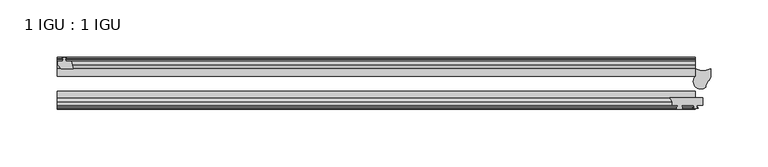
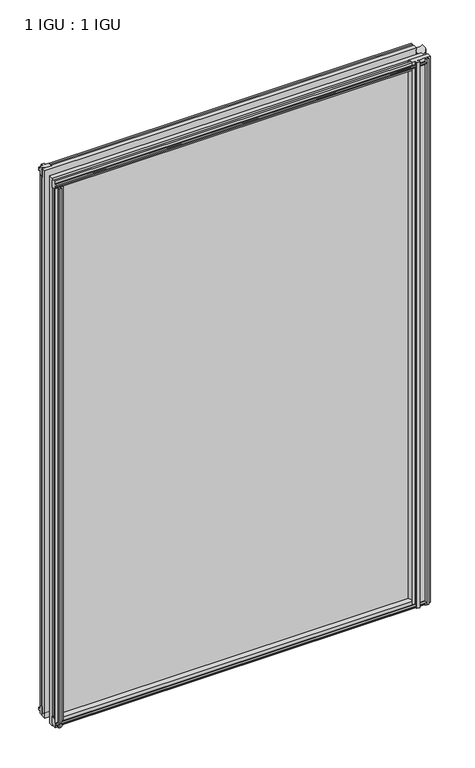
"""IFC4 building model written with IfcOpenShell, lengths in millimetres: plate geometry, 1 IGU : 1 IGU."""

from ifc_helpers import new_model, si_unit, point, frame, frame_2d, origin, place, context, project, spatial, polyline, circle_curve, trimmed, segment, composite_curve, outline, extrude, source, transform, mapped, element, save


def plate_1_igu_1_igu_b927902d(model_context):
    return source(origin(), model_context, "Body", "SweptSolid", [
        extrude(outline(composite_curve([segment(polyline([(259.5226386, -44.9460938), (259.5226386, -51.2960937), (254.4426386, -51.2960937), (254.1251386, -53.4006957), (255.3437444, -53.0741712), (255.5475386, -53.8347412), (253.1726386, -54.4710938), (250.7977386, -53.8347412), (251.0015327, -53.0741712), (252.2201386, -53.4006957), (251.9026386, -51.2960937), (241.5140386, -51.2960937)]), True, "CONTINUOUS"), segment(trimmed(circle_curve(frame_2d((241.5140386, -51.7532937)), 0.4572), [point((241.5140386, -51.2960937))], [point((241.1752207, -52.0602698))], True, "CARTESIAN"), True, "CONTINUOUS"), segment(trimmed(circle_curve(frame_2d((239.4058386, -53.663367)), 2.3876), [point((241.1752207, -52.0602698))], [point((241.4764816, -54.8520937))], False, "CARTESIAN"), True, "CONTINUOUS"), segment(polyline([(241.4764816, -54.8520937), (237.3351955, -54.8520937)]), True, "CONTINUOUS"), segment(trimmed(circle_curve(frame_2d((239.4058386, -53.663367)), 2.3876), [point((237.3351955, -54.8520937))], [point((237.6364564, -52.0602698))], False, "CARTESIAN"), True, "CONTINUOUS"), segment(trimmed(circle_curve(frame_2d((237.2976386, -51.7532937)), 0.4572), [point((237.6364564, -52.0602698))], [point((237.2976386, -51.2960937))], True, "CARTESIAN"), True, "CONTINUOUS"), segment(polyline([(237.2976386, -51.2960937), (233.0558386, -51.2960937)]), True, "CONTINUOUS"), segment(trimmed(circle_curve(frame_2d((225.9264382, -50.3546963)), 7.1912849), [point((233.0558386, -51.2960937))], [point((230.665805, -44.9460938))], True, "CARTESIAN"), True, "CONTINUOUS"), segment(polyline([(230.665805, -44.9460938), (259.5226386, -44.9460938)]), True, "CONTINUOUS")], self_intersect=False)), frame((0.0, 0.0, -10.7152524), z_axis=(0.0, 0.0, 1.0), x_axis=(1.0, 0.0, 0.0)), (0.0, 0.0, 1.0), 861.3739525),
        extrude(outline(polyline([(-295.7889531, -9.7670937), (-293.6114241, -10.4746158), (-293.6114241, -11.27583), (-295.0269531, -10.8158968), (-294.6459531, -13.1960937), (-289.4389531, -13.1960937), (-287.721235, -19.5460937), (-298.542611, -19.5460937), (-301.3769531, -16.1424937), (-301.3769531, -13.1960937), (-296.9319531, -13.1960937), (-296.5509531, -10.8158968), (-297.9664822, -11.27583), (-297.9664822, -10.4746158), (-295.7889531, -9.7670937)])), frame((0.0, 0.0, -12.4587), z_axis=(0.0, 0.0, 1.0), x_axis=(1.0, 0.0, 0.0)), (0.0, 0.0, 1.0), 863.1174001),
        extrude(outline(composite_curve([segment(polyline([(266.2980233, -19.5460937), (266.2980233, -26.5843929), (265.1389687, -29.3825984), (263.9162381, -30.2777969), (262.3032044, -34.1720046), (262.1384789, -35.5470774)]), True, "CONTINUOUS"), segment(trimmed(circle_curve(frame_2d((257.8682679, -30.6663847)), 6.4850492), [point((262.1384789, -35.5470774))], [point((251.3876989, -30.9074026))], False, "CARTESIAN"), True, "CONTINUOUS"), segment(trimmed(circle_curve(frame_2d((265.4735468, -32.4073837)), 14.1654881), [point((251.3876989, -30.9074026))], [point((252.8932386, -25.8960938))], False, "CARTESIAN"), True, "CONTINUOUS"), segment(polyline([(252.8932386, -25.8960938), (252.8932386, -19.5460937)]), True, "CONTINUOUS"), segment(trimmed(circle_curve(frame_2d((259.5956309, -6.7014927)), 14.4881276), [point((252.8932386, -19.5460937))], [point((266.2980233, -19.5460937))], True, "CARTESIAN"), True, "CONTINUOUS")], self_intersect=False)), frame((0.0, 0.0, -6.35), z_axis=(0.0, 0.0, 1.0), x_axis=(1.0, 0.0, 0.0)), (0.0, 0.0, 1.0), 853.3653048),
        extrude(outline(polyline([(-287.200535, -44.9460937), (-288.9182531, -51.2960937), (-294.1252531, -51.2960937), (-294.5062531, -53.6762907), (-293.0907241, -53.2163575), (-293.0907241, -54.0175717), (-295.2682531, -54.7250937), (-297.4457822, -54.0175717), (-297.4457822, -53.2163575), (-296.0302531, -53.6762907), (-296.4112531, -51.2960937), (-300.8562531, -51.2960937), (-300.8562531, -48.3496937), (-298.021911, -44.9460937), (-287.200535, -44.9460937)])), frame((0.0, 0.0, -12.4587), z_axis=(0.0, 0.0, 1.0), x_axis=(1.0, 0.0, 0.0)), (0.0, 0.0, 1.0), 850.4174001),
        extrude(outline(polyline([(-10.4746158, -4.6931709), (-9.7670937, -6.8707), (-10.4746158, -9.0482291), (-11.27583, -9.0482291), (-10.8158968, -7.6327), (-13.1960937, -8.0137), (-13.1960937, -12.4587), (-16.1424937, -12.4587), (-19.5460937, -9.6243578), (-19.5460937, 1.1970181), (-13.1960937, -0.5207), (-13.1960937, -5.7277), (-10.8158968, -6.1087), (-11.27583, -4.6931709), (-10.4746158, -4.6931709)])), frame((-301.6182531, 0.0, 0.0), z_axis=(1.0, 0.0, 0.0), x_axis=(0.0, 1.0, 0.0)), (0.0, 0.0, 1.0), 554.8177562),
        extrude(outline(polyline([(-44.9460937, 1.7177181), (-44.9460937, -9.1036578), (-48.3496937, -11.938), (-51.2960937, -11.938), (-51.2960937, -7.493), (-53.6762907, -7.112), (-53.2163575, -8.5275291), (-54.0175717, -8.5275291), (-54.7250937, -6.35), (-54.0175717, -4.1724709), (-53.2163575, -4.1724709), (-53.6762907, -5.588), (-51.2960937, -5.207), (-51.2960937, 0.0), (-44.9460937, 1.7177181)])), frame((-301.6182531, 0.0, 0.0), z_axis=(1.0, 0.0, 0.0), x_axis=(0.0, 1.0, 0.0)), (0.0, 0.0, 1.0), 554.8177562),
        extrude(outline(polyline([(-10.8158968, 845.8327001), (-11.27583, 847.2482291), (-10.4746158, 847.2482291), (-9.7670937, 845.0707001), (-10.4746158, 842.893171), (-11.27583, 842.893171), (-10.8158968, 844.3087001), (-13.1960937, 843.9277001), (-13.1960937, 838.7207001), (-19.5460938, 837.002982), (-19.5460938, 847.8243579), (-16.1424937, 850.6587001), (-13.1960937, 850.6587001), (-13.1960937, 846.2137001), (-10.8158968, 845.8327001)])), frame((-301.6182531, 0.0, 0.0), z_axis=(1.0, 0.0, 0.0), x_axis=(0.0, 1.0, 0.0)), (0.0, 0.0, 1.0), 554.8177562),
        extrude(outline(polyline([(-51.2960937, 850.1380001), (-48.3496937, 850.1380001), (-44.9460938, 847.3036579), (-44.9460938, 836.482282), (-51.2960937, 838.2000001), (-51.2960937, 843.4070001), (-53.6762907, 843.7880001), (-53.2163575, 842.372471), (-54.0175717, 842.372471), (-54.7250937, 844.5500001), (-54.0175717, 846.7275291), (-53.2163575, 846.7275291), (-53.6762907, 845.3120001), (-51.2960937, 845.6930001), (-51.2960937, 850.1380001)])), frame((-301.6182531, 0.0, 0.0), z_axis=(1.0, 0.0, 0.0), x_axis=(0.0, 1.0, 0.0)), (0.0, 0.0, 1.0), 554.8177562),
        extrude(outline(polyline([(-301.6182531, -38.9186738), (253.1995031, -38.9186738), (253.1995031, -44.9460937), (-301.6182531, -44.9460937), (-301.6182531, -38.9186738)])), frame((0.0, 0.0, -12.7), z_axis=(0.0, 0.0, 1.0), x_axis=(1.0, 0.0, 0.0)), (0.0, 0.0, 1.0), 863.6000001),
        extrude(outline(polyline([(-301.6182531, -19.5460937), (253.1995031, -19.5460937), (253.1995031, -25.8960938), (-301.6182531, -25.8960938), (-301.6182531, -19.5460937)])), frame((0.0, 0.0, -12.7), z_axis=(0.0, 0.0, 1.0), x_axis=(1.0, 0.0, 0.0)), (0.0, 0.0, 1.0), 863.6000001),
    ])


if __name__ == "__main__":
    model = new_model("IFC4")
    model_context = context("Model", 3, world=origin())
    ifc_project = project(units=[si_unit("LENGTHUNIT", "METRE", prefix="MILLI")], contexts=[model_context])
    site = spatial("IfcSite", under=ifc_project)
    building = spatial("IfcBuilding", under=site)
    placement = place(None, origin())
    plate_1_igu_1_igu_shape = plate_1_igu_1_igu_b927902d(model_context)
    element("IfcPlate", 1, ObjectType="1 IGU : 1 IGU", at=placement, inside=building, context=model_context, shape_type="MappedRepresentation", body=[
        mapped(plate_1_igu_1_igu_shape, transform((0.0, 0.0, 0.0), x_axis=(1.0, 0.0, 0.0), y_axis=(0.0, 1.0, 0.0), z_axis=(0.0, 0.0, 1.0))),
    ])
    save(model, "model.ifc")
